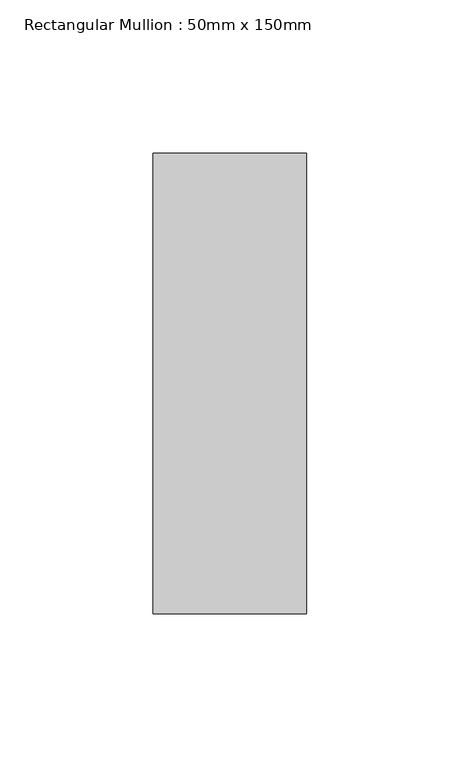
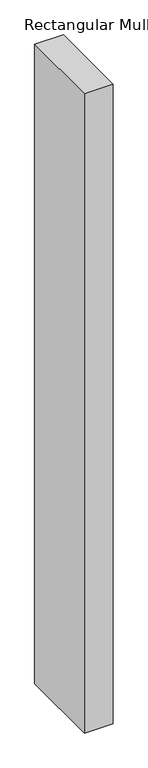
"""IFC4 building model written with IfcOpenShell, lengths in millimetres: member geometry, Rectangular Mullion : 50mm x 150mm."""

from ifc_helpers import new_model, si_unit, frame, origin, place, context, project, spatial, polyline, outline, extrude, source, transform, mapped, element, save


def rectangular_mullion_50mm_x_150mm_14cbe01f(model_context):
    return source(origin(), model_context, "Body", "SweptSolid", [
        extrude(outline(polyline([(0.0, 75.0), (0.0, -75.0), (-50.0, -75.0), (-50.0, 75.0), (0.0, 75.0)])), frame((0.0, 0.0, -1175.0000002), z_axis=(0.0, 0.0, 1.0), x_axis=(1.0, 0.0, 0.0)), (0.0, 0.0, 1.0), 1175.0000002),
    ])


if __name__ == "__main__":
    model = new_model("IFC4")
    model_context = context("Model", 3, world=origin())
    ifc_project = project(units=[si_unit("LENGTHUNIT", "METRE", prefix="MILLI")], contexts=[model_context])
    site = spatial("IfcSite", under=ifc_project)
    building = spatial("IfcBuilding", under=site)
    placement = place(None, origin())
    rectangular_mullion_50mm_x_150mm_shape = rectangular_mullion_50mm_x_150mm_14cbe01f(model_context)
    element("IfcMember", 1, ObjectType="Rectangular Mullion : 50mm x 150mm", at=placement, inside=building, context=model_context, shape_type="MappedRepresentation", body=[
        mapped(rectangular_mullion_50mm_x_150mm_shape, transform((0.0, 0.0, 0.0), x_axis=(1.0, 0.0, 0.0), y_axis=(0.0, 1.0, 0.0), z_axis=(0.0, 0.0, 1.0))),
    ])
    save(model, "model.ifc")
